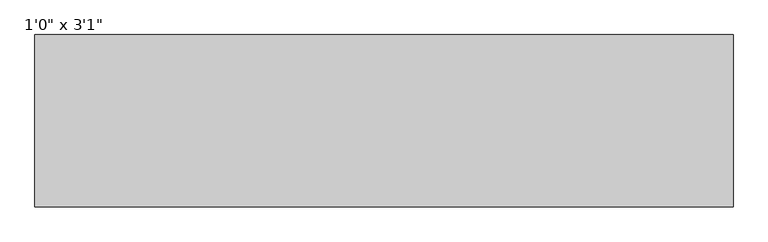
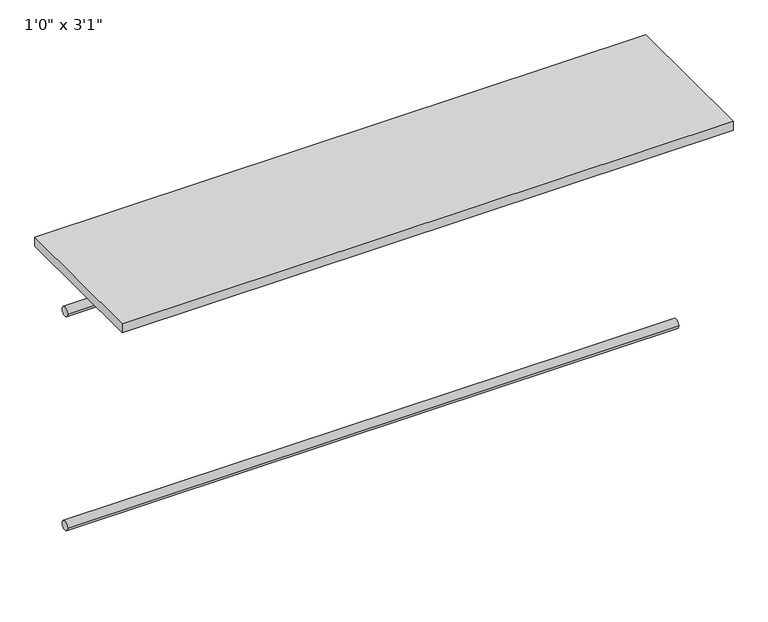
"""IFC4 building model written with IfcOpenShell, lengths in millimetres: furniture geometry."""

from ifc_helpers import new_model, si_unit, point, frame, frame_2d, origin, origin_with_axes, place, context, project, spatial, polyline, circle_curve, trimmed, segment, composite_curve, outline, extrude, source, transform, mapped, element, save


def furniture_39c21f79(model_context):
    return source(origin(), model_context, "Body", "SweptSolid", [
        extrude(outline(composite_curve([segment(trimmed(circle_curve(frame_2d((-342.9, -711.2)), 12.7), [point((-330.2, -711.2))], [point((-355.6, -711.2))], False, "CARTESIAN"), True, "CONTINUOUS"), segment(trimmed(circle_curve(frame_2d((-342.9, -711.2)), 12.7), [point((-355.6, -711.2))], [point((-330.2, -711.2))], False, "CARTESIAN"), True, "CONTINUOUS")], self_intersect=False)), frame((-804.3810451, 0.0, 0.0), z_axis=(1.0, 0.0, 0.0), x_axis=(0.0, 1.0, 0.0)), (0.0, 0.0, 1.0), 1646.2375),
        extrude(outline(composite_curve([segment(trimmed(circle_curve(frame_2d((-342.9, -101.6)), 12.7), [point((-330.2, -101.6))], [point((-355.6, -101.6))], False, "CARTESIAN"), True, "CONTINUOUS"), segment(trimmed(circle_curve(frame_2d((-342.9, -101.6)), 12.7), [point((-355.6, -101.6))], [point((-330.2, -101.6))], False, "CARTESIAN"), True, "CONTINUOUS")], self_intersect=False)), frame((-804.3810451, 0.0, 0.0), z_axis=(1.0, 0.0, 0.0), x_axis=(0.0, 1.0, 0.0)), (0.0, 0.0, 1.0), 1646.2375),
        extrude(outline(polyline([(841.8564549, -203.2), (841.8564549, -609.6), (-804.3810451, -609.6), (-804.3810451, -203.2), (841.8564549, -203.2)])), origin_with_axes(), (0.0, 0.0, 1.0), 25.4),
    ])


if __name__ == "__main__":
    model = new_model("IFC4")
    model_context = context("Model", 3, world=origin())
    ifc_project = project(units=[si_unit("LENGTHUNIT", "METRE", prefix="MILLI")], contexts=[model_context])
    site = spatial("IfcSite", under=ifc_project)
    building = spatial("IfcBuilding", under=site)
    placement = place(None, origin())
    furniture_shape = furniture_39c21f79(model_context)
    element("IfcFurniture", 1, ObjectType="1'0\" x 3'1\"", at=placement, inside=building, context=model_context, shape_type="MappedRepresentation", body=[
        mapped(furniture_shape, transform((0.0, 0.0, 0.0), x_axis=(1.0, 0.0, 0.0), y_axis=(0.0, 1.0, 0.0), z_axis=(0.0, 0.0, 1.0))),
    ])
    save(model, "model.ifc")
